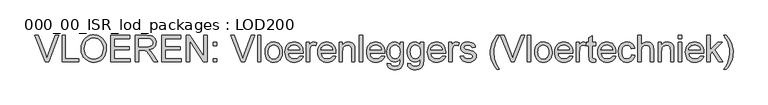
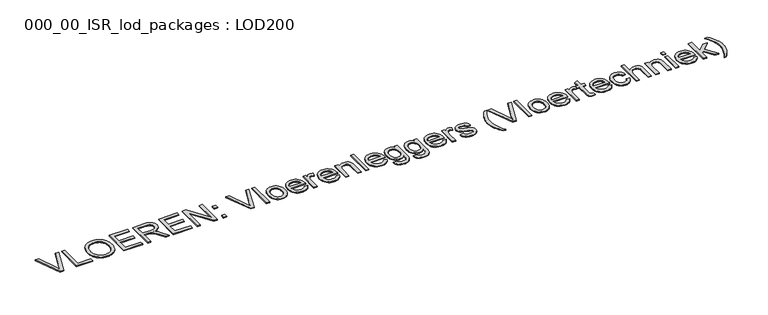
"""IFC4 building model written with IfcOpenShell, lengths in millimetres: proxy geometry, 000_00_ISR_lod_packages : LOD200."""

from ifc_helpers import new_model, si_unit, origin, origin_with_axes, place, context, project, spatial, polyline, outline, extrude, source, transform, mapped, element, save


def proxy_000_00_isr_lod_packages_lod200_84de502a(model_context):
    return source(origin(), model_context, "Body", "SweptSolid", [
        extrude(outline(polyline([(817.155303, 500.0), (505.3560606, 1283.5151515), (610.1818182, 1283.5151515), (818.8768939, 719.0246212), (861.1515152, 591.8181818), (902.8522727, 719.0246212), (1112.1212121, 1283.5151515), (1216.9469697, 1283.5151515), (918.3465909, 500.0), (817.155303, 500.0)])), origin_with_axes(), (0.0, 0.0, 1.0), 25.0),
        extrude(outline(polyline([(1308.0, 500.0), (1308.0, 1283.5151515), (1405.9393939, 1283.5151515), (1405.9393939, 597.9393939), (1797.6969697, 597.9393939), (1797.6969697, 500.0), (1308.0, 500.0)])), origin_with_axes(), (0.0, 0.0, 1.0), 25.0),
        extrude(outline(polyline([(1871.1515152, 881.4280303), (1872.7834399, 928.6970585), (1877.679214, 973.3299006), (1885.8388376, 1015.3265566), (1897.2623106, 1054.6870265), (1911.949633, 1091.4113104), (1929.9008049, 1125.4994081), (1951.1158262, 1156.9513198), (1975.594697, 1185.7670455), (2002.6529652, 1211.546076), (2031.606179, 1233.8879025), (2062.4543383, 1252.7925249), (2095.1974432, 1268.2599432), (2129.8354936, 1280.2901574), (2166.3684896, 1288.8831676), (2204.7964311, 1294.0389737), (2245.1193182, 1295.7575758), (2297.8310843, 1292.5295928), (2347.8887311, 1282.8456439), (2395.2922585, 1266.7057292), (2440.0416667, 1244.1098485), (2480.8816288, 1215.739465), (2516.5568182, 1182.2760417), (2547.0672348, 1143.7195786), (2572.4128788, 1100.0700758), (2592.3307292, 1052.319839), (2606.5577652, 1001.4611742), (2615.0939867, 947.4940814), (2617.9393939, 890.4185606), (2614.9445431, 832.5898437), (2605.9599905, 777.8934659), (2590.9857363, 726.3294271), (2570.0217803, 677.8977273), (2543.5642756, 633.8776042), (2512.109375, 595.5482955), (2475.6570786, 562.9098011), (2434.2073864, 535.9621212), (2389.392223, 514.8726326), (2342.8435133, 499.8087121), (2294.5612571, 490.7703598), (2244.5454545, 487.7575758), (2190.9131155, 491.0871804), (2140.1979167, 501.0759943), (2092.399858, 517.7240175), (2047.5189394, 541.03125), (2006.7267992, 570.0950521), (1971.1950758, 604.0127841), (1940.9237689, 642.784446), (1915.9128788, 686.4100379), (1896.3297822, 733.13808), (1882.3418561, 781.2170928), (1873.9491004, 830.6470762), (1871.1515152, 881.4280303)]), holes=[polyline([(1969.0909091, 880.4715909), (1973.9866832, 815.5413116), (1988.6740057, 757.9038826), (2013.1528764, 707.559304), (2047.4232955, 664.5075758), (2089.0822088, 630.0279356), (2135.7265625, 605.3996212), (2187.3563565, 590.6226326), (2243.9715909, 585.6969697), (2301.5552202, 590.6704545), (2353.7947443, 605.5909091), (2400.6901634, 630.4583333), (2442.2414773, 665.2727273), (2460.466131, 686.2097834), (2476.260831, 709.2330729), (2500.5603693, 761.5383523), (2515.1400923, 822.1885653), (2520.0, 891.1837121), (2517.9197443, 936.0048532), (2511.6789773, 977.8849432), (2501.2776989, 1016.823982), (2486.7159091, 1052.8219697), (2468.1550071, 1085.4066643), (2445.756392, 1114.1058239), (2419.5200639, 1138.9194484), (2389.4460227, 1159.8475379), (2356.4667969, 1176.4596946), (2321.5149148, 1188.3255208), (2284.5903764, 1195.4450166), (2245.6931818, 1197.8181818), (2191.0446259, 1193.245206), (2140.3413826, 1179.5262784), (2093.5834517, 1156.6613991), (2050.7708333, 1124.6505682), (2031.6271011, 1104.8298562), (2015.0358665, 1081.951527), (2000.9971295, 1056.0155806), (1989.5108902, 1027.022017), (1974.1959044, 959.8620384), (1969.0909091, 880.4715909)])]), origin_with_axes(), (0.0, 0.0, 1.0), 25.0),
        extrude(outline(polyline([(2752.6060606, 500.0), (2752.6060606, 1283.5151515), (3315.7575758, 1283.5151515), (3315.7575758, 1185.5757576), (2850.5454545, 1185.5757576), (2850.5454545, 952.969697), (3291.2727273, 952.969697), (3291.2727273, 855.030303), (2850.5454545, 855.030303), (2850.5454545, 597.9393939), (3328.0, 597.9393939), (3328.0, 500.0), (2752.6060606, 500.0)])), origin_with_axes(), (0.0, 0.0, 1.0), 25.0),
        extrude(outline(polyline([(3474.9090909, 500.0), (3474.9090909, 1283.5151515), (3812.532197, 1283.5151515), (3903.2743845, 1278.2308239), (3939.3739938, 1271.6254143), (3969.2926136, 1262.3778409), (3994.769768, 1249.7767519), (4017.5449811, 1233.1107955), (4037.6182528, 1212.3799716), (4054.9895833, 1187.5842803), (4069.0073982, 1160.056759), (4079.0201231, 1131.1304451), (4085.027758, 1100.8053385), (4087.030303, 1069.0814394), (4083.7126539, 1028.8392519), (4073.7597064, 991.8967803), (4057.1714607, 958.2540246), (4033.9479167, 927.9109848), (4003.790187, 901.8360559), (3966.3993845, 880.9976326), (3921.775509, 865.395715), (3869.9185606, 855.030303), (3902.1983902, 833.9408144), (3925.5833333, 813.1382576), (3965.7059659, 765.5553977), (4004.967803, 712.3295455), (4135.6174242, 500.0), (4021.8011364, 500.0), (3919.844697, 662.4034091), (3846.1988636, 769.907197), (3818.820786, 801.2544981), (3794.4554924, 820.6941288), (3771.381392, 832.0996686), (3747.8768939, 839.344697), (3691.0643939, 842.7878788), (3572.8484848, 842.7878788), (3572.8484848, 500.0), (3474.9090909, 500.0)]), holes=[polyline([(3572.8484848, 940.7272727), (3792.0643939, 940.7272727), (3855.022017, 944.1943655), (3903.8721591, 954.5956439), (3940.6472538, 972.6245265), (3955.268821, 984.7593513), (3967.3797348, 998.9744318), (3983.6631155, 1030.8477746), (3989.0909091, 1065.4469697), (3986.502545, 1090.4937263), (3978.7374527, 1113.2211174), (3965.7956321, 1133.629143), (3947.6770833, 1151.717803), (3923.9633641, 1166.5306581), (3894.2360322, 1177.1112689), (3858.4950876, 1183.4596354), (3816.7405303, 1185.5757576), (3572.8484848, 1185.5757576), (3572.8484848, 940.7272727)])]), origin_with_axes(), (0.0, 0.0, 1.0), 25.0),
        extrude(outline(polyline([(4258.4242424, 500.0), (4258.4242424, 1283.5151515), (4821.5757576, 1283.5151515), (4821.5757576, 1185.5757576), (4356.3636364, 1185.5757576), (4356.3636364, 952.969697), (4797.0909091, 952.969697), (4797.0909091, 855.030303), (4356.3636364, 855.030303), (4356.3636364, 597.9393939), (4833.8181818, 597.9393939), (4833.8181818, 500.0), (4258.4242424, 500.0)])), origin_with_axes(), (0.0, 0.0, 1.0), 25.0),
        extrude(outline(polyline([(4980.7272727, 500.0), (4980.7272727, 1283.5151515), (5085.5530303, 1283.5151515), (5494.9090909, 662.7859848), (5494.9090909, 1283.5151515), (5592.8484848, 1283.5151515), (5592.8484848, 500.0), (5488.0227273, 500.0), (5078.6666667, 1120.9204545), (5078.6666667, 500.0), (4980.7272727, 500.0)])), origin_with_axes(), (0.0, 0.0, 1.0), 25.0),
        extrude(outline(polyline([(5776.4848485, 500.0), (5776.4848485, 597.9393939), (5874.4242424, 597.9393939), (5874.4242424, 500.0), (5776.4848485, 500.0)])), origin_with_axes(), (0.0, 0.0, 1.0), 25.0),
        extrude(outline(polyline([(5776.4848485, 977.4545455), (5776.4848485, 1075.3939394), (5874.4242424, 1075.3939394), (5874.4242424, 977.4545455), (5776.4848485, 977.4545455)])), origin_with_axes(), (0.0, 0.0, 1.0), 25.0),
        extrude(outline(polyline([(6607.8219697, 500.0), (6296.0227273, 1283.5151515), (6400.8484848, 1283.5151515), (6609.5435606, 719.0246212), (6651.8181818, 591.8181818), (6693.5189394, 719.0246212), (6902.7878788, 1283.5151515), (7007.6136364, 1283.5151515), (6709.0132576, 500.0), (6607.8219697, 500.0)])), origin_with_axes(), (0.0, 0.0, 1.0), 25.0),
        extrude(outline(polyline([(7086.4242424, 500.0), (7086.4242424, 1283.5151515), (7184.3636364, 1283.5151515), (7184.3636364, 500.0), (7086.4242424, 500.0)])), origin_with_axes(), (0.0, 0.0, 1.0), 25.0),
        extrude(outline(polyline([(7306.7878788, 787.6969697), (7312.0841619, 862.215554), (7318.7045159, 895.6102332), (7327.9730114, 926.4285038), (7339.8896484, 954.6703658), (7354.4544271, 980.3358191), (7371.6673473, 1003.4248639), (7391.5284091, 1023.9375), (7428.8534564, 1051.8057528), (7470.0520833, 1071.7116477), (7515.1242898, 1083.6551847), (7564.0700758, 1087.6363636), (7618.1029238, 1082.7884115), (7666.9590436, 1068.2445549), (7710.6384351, 1044.004794), (7749.1410985, 1010.0691288), (7780.5661103, 967.5852865), (7803.0125473, 917.7009943), (7816.4804096, 860.4162524), (7820.969697, 795.7310606), (7818.9850852, 743.3062263), (7813.03125, 696.7874053), (7803.1081913, 656.1745975), (7789.2159091, 621.467803), (7771.527758, 591.4894058), (7750.2170928, 565.0617898), (7725.2839134, 542.184955), (7696.7282197, 522.8589015), (7665.6618726, 507.5020715), (7633.196733, 496.5329072), (7599.3328007, 489.9514086), (7564.0700758, 487.7575758), (7509.2481652, 492.5875947), (7459.9377367, 507.0776515), (7416.1387902, 531.2277462), (7377.8513258, 565.0378788), (7346.7610677, 607.9341856), (7324.5537405, 659.342803), (7311.2293442, 719.2637311), (7306.7878788, 787.6969697)]), holes=[polyline([(7404.7272727, 787.8882576), (7407.5607244, 740.3831084), (7416.0610795, 699.2502367), (7430.2283381, 664.4896425), (7450.0625, 636.1013258), (7474.1886837, 614.04942), (7501.2320076, 598.2980587), (7531.1924716, 588.847242), (7564.0700758, 585.6969697), (7596.780303, 588.8651752), (7626.6212121, 598.3697917), (7653.592803, 614.2108191), (7677.6950758, 636.3882576), (7697.5292377, 665.0575284), (7711.6964962, 700.374053), (7720.1968513, 742.3378314), (7723.030303, 790.9488636), (7720.1789181, 836.9476207), (7711.6247633, 877.0044981), (7697.3678385, 911.1194957), (7677.4081439, 939.2926136), (7653.216205, 961.3445194), (7626.2625473, 977.0958807), (7596.5471709, 986.5466974), (7564.0700758, 989.6969697), (7531.1924716, 986.5586529), (7501.2320076, 977.1437027), (7474.1886837, 961.4521188), (7450.0625, 939.4839015), (7430.2283381, 911.1792732), (7416.0610795, 876.4784564), (7407.5607244, 835.3814512), (7404.7272727, 787.8882576)])]), origin_with_axes(), (0.0, 0.0, 1.0), 25.0),
        extrude(outline(polyline([(8334.0037879, 671.3939394), (8430.030303, 659.1515152), (8415.3071141, 620.690696), (8395.431108, 586.796875), (8370.4022846, 557.4700521), (8340.2206439, 532.7102273), (8305.1970289, 513.0434422), (8265.6422822, 498.9957386), (8221.5564039, 490.5671165), (8172.9393939, 487.7575758), (8112.1696259, 492.6055279), (8058.0232008, 507.1493845), (8010.5001184, 531.3891454), (7969.6003788, 565.3248106), (7936.7108191, 608.0118963), (7913.2182765, 658.5059186), (7899.1227509, 716.8068774), (7894.4242424, 782.9147727), (7899.1705729, 851.2643229), (7913.4095644, 911.5080492), (7937.1412169, 963.6459517), (7970.3655303, 1007.6780303), (8011.1576705, 1042.6598011), (8057.592803, 1067.6467803), (8109.670928, 1082.6389678), (8167.3920455, 1087.6363636), (8223.2540838, 1082.6509233), (8273.772017, 1067.6946023), (8318.9458452, 1042.7674006), (8358.7755682, 1007.8693182), (8391.2885298, 963.9328835), (8414.5120739, 911.890625), (8428.4462003, 851.7425426), (8433.0909091, 783.4886364), (8432.5170455, 757.0909091), (7992.3636364, 757.0909091), (7998.0365175, 718.0084044), (8009.3165246, 683.7798295), (8026.2036577, 654.4051847), (8048.6979167, 629.8844697), (8075.5559304, 610.5524384), (8105.5343277, 596.7438447), (8138.6331084, 588.4586884), (8174.8522727, 585.6969697), (8226.9782197, 590.8139205), (8270.8787879, 606.1647727), (8289.7445549, 617.9170218), (8306.5539773, 632.7059659), (8321.3070549, 650.5316051), (8334.0037879, 671.3939394)]), holes=[polyline([(7992.3636364, 855.030303), (8335.1515152, 855.030303), (8330.1182528, 882.7431345), (8321.9048295, 906.7736742), (8310.5112453, 927.1219223), (8295.9375, 943.7878788), (8269.2289299, 963.8731061), (8238.8380682, 978.219697), (8204.7649148, 986.8276515), (8167.0094697, 989.6969697), (8132.5716738, 987.4074929), (8100.9912405, 980.5390625), (8072.26817, 969.0916785), (8046.4024621, 953.0653409), (8024.6972656, 933.2012902), (8008.4557292, 910.240767), (7997.6778527, 884.1837713), (7992.3636364, 855.030303)])]), origin_with_axes(), (0.0, 0.0, 1.0), 25.0),
        extrude(outline(polyline([(8531.030303, 500.0), (8531.030303, 1075.3939394), (8616.7272727, 1075.3939394), (8616.7272727, 990.2708333), (8648.3854167, 1039.6231061), (8677.5568182, 1068.6988636), (8706.8238636, 1082.9019886), (8738.7689394, 1087.6363636), (8763.0625, 1085.7473958), (8787.5473485, 1080.0804924), (8812.2234848, 1070.6356534), (8837.0909091, 1057.4128788), (8804.3806818, 969.6117424), (8769.9488636, 984.6756629), (8735.5170455, 989.6969697), (8706.273911, 984.8669508), (8680.1392045, 970.3768939), (8659.0258049, 947.3267045), (8644.8465909, 916.8162879), (8632.9389205, 862.1079545), (8628.969697, 802.4261364), (8628.969697, 500.0), (8531.030303, 500.0)])), origin_with_axes(), (0.0, 0.0, 1.0), 25.0),
        extrude(outline(polyline([(9301.155303, 671.3939394), (9397.1818182, 659.1515152), (9382.4586293, 620.690696), (9362.5826231, 586.796875), (9337.5537997, 557.4700521), (9307.3721591, 532.7102273), (9272.348544, 513.0434422), (9232.7937973, 498.9957386), (9188.707919, 490.5671165), (9140.0909091, 487.7575758), (9079.3211411, 492.6055279), (9025.1747159, 507.1493845), (8977.6516335, 531.3891454), (8936.7518939, 565.3248106), (8903.8623343, 608.0118963), (8880.3697917, 658.5059186), (8866.2742661, 716.8068774), (8861.5757576, 782.9147727), (8866.3220881, 851.2643229), (8880.5610795, 911.5080492), (8904.292732, 963.6459517), (8937.5170455, 1007.6780303), (8978.3091856, 1042.6598011), (9024.7443182, 1067.6467803), (9076.8224432, 1082.6389678), (9134.5435606, 1087.6363636), (9190.405599, 1082.6509233), (9240.9235322, 1067.6946023), (9286.0973603, 1042.7674006), (9325.9270833, 1007.8693182), (9358.440045, 963.9328835), (9381.663589, 911.890625), (9395.5977154, 851.7425426), (9400.2424242, 783.4886364), (9399.6685606, 757.0909091), (8959.5151515, 757.0909091), (8965.1880327, 718.0084044), (8976.4680398, 683.7798295), (8993.3551728, 654.4051847), (9015.8494318, 629.8844697), (9042.7074455, 610.5524384), (9072.6858428, 596.7438447), (9105.7846236, 588.4586884), (9142.0037879, 585.6969697), (9194.1297348, 590.8139205), (9238.030303, 606.1647727), (9256.8960701, 617.9170218), (9273.7054924, 632.7059659), (9288.4585701, 650.5316051), (9301.155303, 671.3939394)]), holes=[polyline([(8959.5151515, 855.030303), (9302.3030303, 855.030303), (9297.269768, 882.7431345), (9289.0563447, 906.7736742), (9277.6627604, 927.1219223), (9263.0890152, 943.7878788), (9236.3804451, 963.8731061), (9205.9895833, 978.219697), (9171.9164299, 986.8276515), (9134.1609848, 989.6969697), (9099.7231889, 987.4074929), (9068.1427557, 980.5390625), (9039.4196851, 969.0916785), (9013.5539773, 953.0653409), (8991.8487808, 933.2012902), (8975.6072443, 910.240767), (8964.8293679, 884.1837713), (8959.5151515, 855.030303)])]), origin_with_axes(), (0.0, 0.0, 1.0), 25.0),
        extrude(outline(polyline([(9498.1818182, 500.0), (9498.1818182, 1075.3939394), (9596.1212121, 1075.3939394), (9596.1212121, 995.0530303), (9630.1465436, 1035.5582386), (9649.7236624, 1051.4709991), (9671.0104167, 1064.4905303), (9694.0068063, 1074.6168324), (9718.7128314, 1081.8499053), (9773.2537879, 1087.6363636), (9821.5300663, 1082.9737216), (9865.7414773, 1068.9857955), (9902.6122159, 1047.4180871), (9928.8664773, 1020.0160985), (9946.680161, 986.8515625), (9958.2291667, 947.9962121), (9962.1027462, 910.8385417), (9963.3939394, 853.3087121), (9963.3939394, 500.0), (9865.4545455, 500.0), (9865.4545455, 840.1098485), (9862.6330492, 890.7533144), (9854.1685606, 926.7632576), (9838.5546875, 952.5632102), (9814.2850379, 972.5767045), (9783.1768466, 985.4169034), (9747.0473485, 989.6969697), (9717.3080611, 987.2939157), (9689.6848958, 980.0847538), (9664.1778527, 968.0694839), (9640.7869318, 951.2481061), (9621.2456795, 927.7077415), (9607.287642, 895.5355114), (9598.9128196, 854.7314157), (9596.1212121, 805.2954545), (9596.1212121, 500.0), (9498.1818182, 500.0)])), origin_with_axes(), (0.0, 0.0, 1.0), 25.0),
        extrude(outline(polyline([(10098.0606061, 500.0), (10098.0606061, 1283.5151515), (10196.0, 1283.5151515), (10196.0, 500.0), (10098.0606061, 500.0)])), origin_with_axes(), (0.0, 0.0, 1.0), 25.0),
        extrude(outline(polyline([(10745.7613636, 671.3939394), (10841.7878788, 659.1515152), (10827.0646899, 620.690696), (10807.1886837, 586.796875), (10782.1598603, 557.4700521), (10751.9782197, 532.7102273), (10716.9546046, 513.0434422), (10677.399858, 498.9957386), (10633.3139796, 490.5671165), (10584.6969697, 487.7575758), (10523.9272017, 492.6055279), (10469.7807765, 507.1493845), (10422.2576941, 531.3891454), (10381.3579545, 565.3248106), (10348.4683949, 608.0118963), (10324.9758523, 658.5059186), (10310.8803267, 716.8068774), (10306.1818182, 782.9147727), (10310.9281487, 851.2643229), (10325.1671402, 911.5080492), (10348.8987926, 963.6459517), (10382.1231061, 1007.6780303), (10422.9152462, 1042.6598011), (10469.3503788, 1067.6467803), (10521.4285038, 1082.6389678), (10579.1496212, 1087.6363636), (10635.0116596, 1082.6509233), (10685.5295928, 1067.6946023), (10730.7034209, 1042.7674006), (10770.5331439, 1007.8693182), (10803.0461056, 963.9328835), (10826.2696496, 911.890625), (10840.203776, 851.7425426), (10844.8484848, 783.4886364), (10844.2746212, 757.0909091), (10404.1212121, 757.0909091), (10409.7940933, 718.0084044), (10421.0741004, 683.7798295), (10437.9612334, 654.4051847), (10460.4554924, 629.8844697), (10487.3135062, 610.5524384), (10517.2919034, 596.7438447), (10550.3906842, 588.4586884), (10586.6098485, 585.6969697), (10638.7357955, 590.8139205), (10682.6363636, 606.1647727), (10701.5021307, 617.9170218), (10718.311553, 632.7059659), (10733.0646307, 650.5316051), (10745.7613636, 671.3939394)]), holes=[polyline([(10404.1212121, 855.030303), (10746.9090909, 855.030303), (10741.8758286, 882.7431345), (10733.6624053, 906.7736742), (10722.268821, 927.1219223), (10707.6950758, 943.7878788), (10680.9865057, 963.8731061), (10650.5956439, 978.219697), (10616.5224905, 986.8276515), (10578.7670455, 989.6969697), (10544.3292495, 987.4074929), (10512.7488163, 980.5390625), (10484.0257457, 969.0916785), (10458.1600379, 953.0653409), (10436.4548414, 933.2012902), (10420.2133049, 910.240767), (10409.4354285, 884.1837713), (10404.1212121, 855.030303)])]), origin_with_axes(), (0.0, 0.0, 1.0), 25.0),
        extrude(outline(polyline([(10918.3030303, 451.030303), (11016.2424242, 438.7878788), (11020.3790246, 422.2892992), (11027.0501894, 408.1818182), (11036.2559186, 396.4654356), (11047.9962121, 387.1401515), (11066.9934896, 377.5996686), (11089.170928, 370.7850379), (11143.0662879, 365.3333333), (11173.6484375, 366.8755919), (11200.5482955, 371.5023674), (11223.7658617, 379.21366), (11243.3011364, 390.0094697), (11259.5606061, 403.5909091), (11272.9507576, 419.6590909), (11283.4715909, 438.2140152), (11291.1231061, 459.2556818), (11296.4313447, 501.3868371), (11297.8181818, 573.4545455), (11265.2275095, 541.3181818), (11228.8589015, 518.3636364), (11188.712358, 504.5909091), (11144.7878788, 500.0), (11091.0897846, 505.3441051), (11043.8117898, 521.3764205), (11002.9538944, 548.096946), (10968.5160985, 585.5056818), (10941.1918205, 630.3866004), (10921.6744792, 679.5236742), (10909.9640743, 732.9169034), (10906.0606061, 790.5662879), (10907.8120857, 830.8981416), (10913.0665246, 869.6399148), (10921.8239228, 906.7916075), (10934.0842803, 942.3532197), (10949.6622869, 975.1411577), (10968.3726326, 1003.9718277), (10990.2153172, 1028.8452296), (11015.1903409, 1049.7613636), (11042.8971946, 1066.3316761), (11072.9353693, 1078.1676136), (11105.3048651, 1085.2691761), (11140.0056818, 1087.6363636), (11185.8071733, 1082.280303), (11227.3764205, 1066.2121212), (11264.7134233, 1039.4318182), (11297.8181818, 1001.9393939), (11297.8181818, 1075.3939394), (11395.7575758, 1075.3939394), (11395.7575758, 578.6193182), (11394.0838068, 516.3730469), (11389.0625, 463.9183239), (11380.6936553, 421.2551491), (11368.9772727, 388.3835227), (11353.6323982, 361.8722183), (11334.3780777, 338.2900095), (11311.2143111, 317.6368963), (11284.1410985, 299.9128788), (11253.4334162, 285.6858428), (11219.3662405, 275.5236742), (11181.9395715, 269.4263731), (11141.1534091, 267.3939394), (11093.1700402, 270.2572798), (11050.0286458, 278.8473011), (11011.7292259, 293.1640033), (10978.2717803, 313.2073864), (10951.2463897, 339.0013613), (10932.2431345, 370.569839), (10921.2620147, 407.9128196), (10918.3030303, 451.030303)]), holes=[polyline([(11004.0, 797.2613636), (11006.6122751, 748.8356416), (11014.4491004, 707.4277936), (11027.5104759, 673.0378196), (11045.7964015, 645.6657197), (11068.0276397, 624.7854522), (11092.9249527, 609.8709754), (11120.4883404, 600.9222893), (11150.717803, 597.9393939), (11180.6483783, 600.9043561), (11208.0802557, 609.7992424), (11233.0134351, 624.624053), (11255.4479167, 645.3787879), (11273.9849077, 672.4818892), (11287.2256155, 706.3517992), (11295.1700402, 746.988518), (11297.8181818, 794.3920455), (11295.0923295, 839.8169389), (11286.9147727, 879.2999527), (11273.2855114, 912.8410866), (11254.2045455, 940.4403409), (11231.2858665, 961.990116), (11206.1434659, 977.3828125), (11178.7773438, 986.6184304), (11149.1875, 989.6969697), (11120.0938092, 986.6662524), (11093.2597064, 977.5741004), (11068.6851918, 962.4205137), (11046.3702652, 941.2054924), (11027.8332741, 914.0246804), (11014.5925663, 880.9737216), (11006.6481416, 842.052616), (11004.0, 797.2613636)])]), origin_with_axes(), (0.0, 0.0, 1.0), 25.0),
        extrude(outline(polyline([(11518.1818182, 451.030303), (11616.1212121, 438.7878788), (11620.2578125, 422.2892992), (11626.9289773, 408.1818182), (11636.1347064, 396.4654356), (11647.875, 387.1401515), (11666.8722775, 377.5996686), (11689.0497159, 370.7850379), (11742.9450758, 365.3333333), (11773.5272254, 366.8755919), (11800.4270833, 371.5023674), (11823.6446496, 379.21366), (11843.1799242, 390.0094697), (11859.4393939, 403.5909091), (11872.8295455, 419.6590909), (11883.3503788, 438.2140152), (11891.0018939, 459.2556818), (11896.3101326, 501.3868371), (11897.6969697, 573.4545455), (11865.1062973, 541.3181818), (11828.7376894, 518.3636364), (11788.5911458, 504.5909091), (11744.6666667, 500.0), (11690.9685724, 505.3441051), (11643.6905777, 521.3764205), (11602.8326823, 548.096946), (11568.3948864, 585.5056818), (11541.0706084, 630.3866004), (11521.553267, 679.5236742), (11509.8428622, 732.9169034), (11505.9393939, 790.5662879), (11507.6908736, 830.8981416), (11512.9453125, 869.6399148), (11521.7027107, 906.7916075), (11533.9630682, 942.3532197), (11549.5410748, 975.1411577), (11568.2514205, 1003.9718277), (11590.0941051, 1028.8452296), (11615.0691288, 1049.7613636), (11642.7759825, 1066.3316761), (11672.8141572, 1078.1676136), (11705.1836529, 1085.2691761), (11739.8844697, 1087.6363636), (11785.6859612, 1082.280303), (11827.2552083, 1066.2121212), (11864.5922112, 1039.4318182), (11897.6969697, 1001.9393939), (11897.6969697, 1075.3939394), (11995.6363636, 1075.3939394), (11995.6363636, 578.6193182), (11993.9625947, 516.3730469), (11988.9412879, 463.9183239), (11980.5724432, 421.2551491), (11968.8560606, 388.3835227), (11953.5111861, 361.8722183), (11934.2568655, 338.2900095), (11911.093099, 317.6368963), (11884.0198864, 299.9128788), (11853.3122041, 285.6858428), (11819.2450284, 275.5236742), (11781.8183594, 269.4263731), (11741.032197, 267.3939394), (11693.0488281, 270.2572798), (11649.9074337, 278.8473011), (11611.6080137, 293.1640033), (11578.1505682, 313.2073864), (11551.1251776, 339.0013613), (11532.1219223, 370.569839), (11521.1408026, 407.9128196), (11518.1818182, 451.030303)]), holes=[polyline([(11603.8787879, 797.2613636), (11606.491063, 748.8356416), (11614.3278883, 707.4277936), (11627.3892637, 673.0378196), (11645.6751894, 645.6657197), (11667.9064276, 624.7854522), (11692.8037405, 609.8709754), (11720.3671283, 600.9222893), (11750.5965909, 597.9393939), (11780.5271662, 600.9043561), (11807.9590436, 609.7992424), (11832.892223, 624.624053), (11855.3267045, 645.3787879), (11873.8636955, 672.4818892), (11887.1044034, 706.3517992), (11895.0488281, 746.988518), (11897.6969697, 794.3920455), (11894.9711174, 839.8169389), (11886.7935606, 879.2999527), (11873.1642992, 912.8410866), (11854.0833333, 940.4403409), (11831.1646544, 961.990116), (11806.0222538, 977.3828125), (11778.6561316, 986.6184304), (11749.0662879, 989.6969697), (11719.9725971, 986.6662524), (11693.1384943, 977.5741004), (11668.5639796, 962.4205137), (11646.249053, 941.2054924), (11627.712062, 914.0246804), (11614.4713542, 880.9737216), (11606.5269295, 842.052616), (11603.8787879, 797.2613636)])]), origin_with_axes(), (0.0, 0.0, 1.0), 25.0),
        extrude(outline(polyline([(12545.3977273, 671.3939394), (12641.4242424, 659.1515152), (12626.7010535, 620.690696), (12606.8250473, 586.796875), (12581.796224, 557.4700521), (12551.6145833, 532.7102273), (12516.5909683, 513.0434422), (12477.0362216, 498.9957386), (12432.9503433, 490.5671165), (12384.3333333, 487.7575758), (12323.5635653, 492.6055279), (12269.4171402, 507.1493845), (12221.8940578, 531.3891454), (12180.9943182, 565.3248106), (12148.1047585, 608.0118963), (12124.6122159, 658.5059186), (12110.5166903, 716.8068774), (12105.8181818, 782.9147727), (12110.5645123, 851.2643229), (12124.8035038, 911.5080492), (12148.5351563, 963.6459517), (12181.7594697, 1007.6780303), (12222.5516098, 1042.6598011), (12268.9867424, 1067.6467803), (12321.0648674, 1082.6389678), (12378.7859848, 1087.6363636), (12434.6480232, 1082.6509233), (12485.1659564, 1067.6946023), (12530.3397846, 1042.7674006), (12570.1695076, 1007.8693182), (12602.6824692, 963.9328835), (12625.9060133, 911.890625), (12639.8401397, 851.7425426), (12644.4848485, 783.4886364), (12643.9109848, 757.0909091), (12203.7575758, 757.0909091), (12209.4304569, 718.0084044), (12220.710464, 683.7798295), (12237.5975971, 654.4051847), (12260.0918561, 629.8844697), (12286.9498698, 610.5524384), (12316.928267, 596.7438447), (12350.0270478, 588.4586884), (12386.2462121, 585.6969697), (12438.3721591, 590.8139205), (12482.2727273, 606.1647727), (12501.1384943, 617.9170218), (12517.9479167, 632.7059659), (12532.7009943, 650.5316051), (12545.3977273, 671.3939394)]), holes=[polyline([(12203.7575758, 855.030303), (12546.5454545, 855.030303), (12541.5121922, 882.7431345), (12533.2987689, 906.7736742), (12521.9051847, 927.1219223), (12507.3314394, 943.7878788), (12480.6228693, 963.8731061), (12450.2320076, 978.219697), (12416.1588542, 986.8276515), (12378.4034091, 989.6969697), (12343.9656132, 987.4074929), (12312.3851799, 980.5390625), (12283.6621094, 969.0916785), (12257.7964015, 953.0653409), (12236.091205, 933.2012902), (12219.8496686, 910.240767), (12209.0717921, 884.1837713), (12203.7575758, 855.030303)])]), origin_with_axes(), (0.0, 0.0, 1.0), 25.0),
        extrude(outline(polyline([(12742.4242424, 500.0), (12742.4242424, 1075.3939394), (12828.1212121, 1075.3939394), (12828.1212121, 990.2708333), (12859.7793561, 1039.6231061), (12888.9507576, 1068.6988636), (12918.217803, 1082.9019886), (12950.1628788, 1087.6363636), (12974.4564394, 1085.7473958), (12998.9412879, 1080.0804924), (13023.6174242, 1070.6356534), (13048.4848485, 1057.4128788), (13015.7746212, 969.6117424), (12981.342803, 984.6756629), (12946.9109848, 989.6969697), (12917.6678504, 984.8669508), (12891.5331439, 970.3768939), (12870.4197443, 947.3267045), (12856.2405303, 916.8162879), (12844.3328598, 862.1079545), (12840.3636364, 802.4261364), (12840.3636364, 500.0), (12742.4242424, 500.0)])), origin_with_axes(), (0.0, 0.0, 1.0), 25.0),
        extrude(outline(polyline([(13072.969697, 671.3939394), (13170.9090909, 683.6363636), (13176.8270597, 661.3035038), (13186.3555871, 641.7443182), (13199.4946733, 624.9588068), (13216.2443182, 610.9469697), (13236.6523438, 599.9000947), (13260.766572, 592.0094697), (13288.5870028, 587.2750947), (13320.1136364, 585.6969697), (13351.6044034, 587.1435843), (13378.7433712, 591.483428), (13401.5305398, 598.7165009), (13419.9659091, 608.842803), (13434.1929451, 620.9178504), (13444.3551136, 633.9971591), (13450.4524148, 648.0807292), (13452.4848485, 663.1685606), (13450.4404593, 676.3913352), (13444.3072917, 688.1316288), (13434.0853456, 698.3894413), (13419.7746212, 707.1647727), (13383.0951705, 719.5984848), (13318.9659091, 735.092803), (13229.5866477, 760.9405777), (13171.4829545, 783.0104167), (13134.1579072, 807.0887784), (13119.3510298, 822.0510772), (13107.1145833, 838.9621212), (13090.6877367, 876.5980114), (13085.2121212, 917.9640152), (13089.6117424, 955.9107481), (13102.8106061, 990.9403409), (13123.6131629, 1021.6659564), (13150.8238636, 1046.7007576), (13177.8671875, 1062.4580966), (13213.0880682, 1075.6808712), (13253.8084754, 1084.6474905), (13297.3503788, 1087.6363636), (13361.0970644, 1082.8302557), (13416.5227273, 1068.4119318), (13461.092803, 1045.7921402), (13478.3565341, 1031.9357244), (13492.2727273, 1016.3816288), (13512.9318182, 978.0044981), (13525.9393939, 928.4848485), (13428.0, 916.2424242), (13423.3313802, 932.6035156), (13415.6380208, 947.0636837), (13404.9199219, 959.6229285), (13391.1770833, 970.28125), (13374.3497277, 978.7756274), (13354.3780777, 984.8430398), (13305.0018939, 989.6969697), (13248.7632576, 985.0582386), (13227.6737689, 979.2598248), (13211.2708333, 971.1420455), (13190.1813447, 951.0568182), (13184.9089725, 939.8664773), (13183.1515152, 927.9109848), (13186.0686553, 912.8470644), (13194.8200758, 899.4090909), (13209.7883523, 887.4057765), (13231.3560606, 877.7935606), (13315.7140152, 856.9431818), (13402.2478693, 831.358428), (13459.4668561, 810.842803), (13497.4375, 788.796875), (13526.2263258, 758.6212121), (13536.8129143, 740.4608191), (13544.3747633, 720.2201705), (13548.9118726, 697.8992661), (13550.4242424, 673.4981061), (13548.6488518, 648.9893466), (13543.3226799, 625.1979167), (13534.4457268, 602.1238163), (13522.0179924, 579.7670455), (13506.2427202, 559.0182884), (13487.3231534, 540.7682292), (13465.2592921, 525.0168679), (13440.0511364, 511.7642045), (13412.3861269, 501.2613045), (13382.9517045, 493.759233), (13318.7746212, 487.7575758), (13266.0628551, 490.6508049), (13220.0222538, 499.3304924), (13180.6528172, 513.7966383), (13147.9545455, 534.0492424), (13121.2459754, 559.992661), (13099.8456439, 591.53125), (13083.7535511, 628.6650095), (13072.969697, 671.3939394)])), origin_with_axes(), (0.0, 0.0, 1.0), 25.0),
        extrude(outline(polyline([(14162.5454545, 279.6363636), (14123.0086411, 330.7939157), (14086.6519886, 386.1358902), (14053.4754972, 445.6622869), (14023.4791667, 509.3731061), (13998.6236979, 575.773911), (13980.8697917, 643.3702652), (13970.2174479, 712.1621686), (13966.6666667, 782.1496212), (13969.320786, 843.6606297), (13977.2831439, 903.8565341), (13990.5537405, 962.7373343), (14009.1325758, 1020.3030303), (14037.3714489, 1086.3212595), (14072.3532197, 1152.1960227), (14114.0778883, 1217.9273201), (14162.5454545, 1283.5151515), (14236.0, 1283.5151515), (14178.3745265, 1190.4057765), (14144.3731061, 1128.3806818), (14113.0975379, 1054.7348485), (14089.282197, 978.0284091), (14070.7750947, 880.0411932), (14064.6060606, 781.5757576), (14067.2840909, 718.7914891), (14075.3181818, 656.0191761), (14088.7083333, 593.2588187), (14107.4545455, 530.5104167), (14131.5568182, 467.7739702), (14161.0151515, 405.0494792), (14195.8295455, 342.3369437), (14236.0, 279.6363636), (14162.5454545, 279.6363636)])), origin_with_axes(), (0.0, 0.0, 1.0), 25.0),
        extrude(outline(polyline([(14577.6401515, 500.0), (14265.8409091, 1283.5151515), (14370.6666667, 1283.5151515), (14579.3617424, 719.0246212), (14621.6363636, 591.8181818), (14663.3371212, 719.0246212), (14872.6060606, 1283.5151515), (14977.4318182, 1283.5151515), (14678.8314394, 500.0), (14577.6401515, 500.0)])), origin_with_axes(), (0.0, 0.0, 1.0), 25.0),
        extrude(outline(polyline([(15056.2424242, 500.0), (15056.2424242, 1283.5151515), (15154.1818182, 1283.5151515), (15154.1818182, 500.0), (15056.2424242, 500.0)])), origin_with_axes(), (0.0, 0.0, 1.0), 25.0),
        extrude(outline(polyline([(15276.6060606, 787.6969697), (15281.9023438, 862.215554), (15288.5226977, 895.6102332), (15297.7911932, 926.4285038), (15309.7078303, 954.6703658), (15324.2726089, 980.3358191), (15341.4855291, 1003.4248639), (15361.3465909, 1023.9375), (15398.6716383, 1051.8057528), (15439.8702652, 1071.7116477), (15484.9424716, 1083.6551847), (15533.8882576, 1087.6363636), (15587.9211056, 1082.7884115), (15636.7772254, 1068.2445549), (15680.456617, 1044.004794), (15718.9592803, 1010.0691288), (15750.3842921, 967.5852865), (15772.8307292, 917.7009943), (15786.2985914, 860.4162524), (15790.7878788, 795.7310606), (15788.803267, 743.3062263), (15782.8494318, 696.7874053), (15772.9263731, 656.1745975), (15759.0340909, 621.467803), (15741.3459399, 591.4894058), (15720.0352746, 565.0617898), (15695.1020952, 542.184955), (15666.5464015, 522.8589015), (15635.4800545, 507.5020715), (15603.0149148, 496.5329072), (15569.1509825, 489.9514086), (15533.8882576, 487.7575758), (15479.0663471, 492.5875947), (15429.7559186, 507.0776515), (15385.9569721, 531.2277462), (15347.6695076, 565.0378788), (15316.5792495, 607.9341856), (15294.3719223, 659.342803), (15281.047526, 719.2637311), (15276.6060606, 787.6969697)]), holes=[polyline([(15374.5454545, 787.8882576), (15377.3789063, 740.3831084), (15385.8792614, 699.2502367), (15400.0465199, 664.4896425), (15419.8806818, 636.1013258), (15444.0068655, 614.04942), (15471.0501894, 598.2980587), (15501.0106534, 588.847242), (15533.8882576, 585.6969697), (15566.5984848, 588.8651752), (15596.4393939, 598.3697917), (15623.4109848, 614.2108191), (15647.5132576, 636.3882576), (15667.3474195, 665.0575284), (15681.514678, 700.374053), (15690.0150331, 742.3378314), (15692.8484848, 790.9488636), (15689.9970999, 836.9476207), (15681.4429451, 877.0044981), (15667.1860204, 911.1194957), (15647.2263258, 939.2926136), (15623.0343868, 961.3445194), (15596.0807292, 977.0958807), (15566.3653527, 986.5466974), (15533.8882576, 989.6969697), (15501.0106534, 986.5586529), (15471.0501894, 977.1437027), (15444.0068655, 961.4521188), (15419.8806818, 939.4839015), (15400.0465199, 911.1792732), (15385.8792614, 876.4784564), (15377.3789063, 835.3814512), (15374.5454545, 787.8882576)])]), origin_with_axes(), (0.0, 0.0, 1.0), 25.0),
        extrude(outline(polyline([(16303.8219697, 671.3939394), (16399.8484848, 659.1515152), (16385.1252959, 620.690696), (16365.2492898, 586.796875), (16340.2204664, 557.4700521), (16310.0388258, 532.7102273), (16275.0152107, 513.0434422), (16235.460464, 498.9957386), (16191.3745857, 490.5671165), (16142.7575758, 487.7575758), (16081.9878078, 492.6055279), (16027.8413826, 507.1493845), (15980.3183002, 531.3891454), (15939.4185606, 565.3248106), (15906.5290009, 608.0118963), (15883.0364583, 658.5059186), (15868.9409328, 716.8068774), (15864.2424242, 782.9147727), (15868.9887547, 851.2643229), (15883.2277462, 911.5080492), (15906.9593987, 963.6459517), (15940.1837121, 1007.6780303), (15980.9758523, 1042.6598011), (16027.4109848, 1067.6467803), (16079.4891098, 1082.6389678), (16137.2102273, 1087.6363636), (16193.0722656, 1082.6509233), (16243.5901989, 1067.6946023), (16288.764027, 1042.7674006), (16328.59375, 1007.8693182), (16361.1067116, 963.9328835), (16384.3302557, 911.890625), (16398.2643821, 851.7425426), (16402.9090909, 783.4886364), (16402.3352273, 757.0909091), (15962.1818182, 757.0909091), (15967.8546993, 718.0084044), (15979.1347064, 683.7798295), (15996.0218395, 654.4051847), (16018.5160985, 629.8844697), (16045.3741122, 610.5524384), (16075.3525095, 596.7438447), (16108.4512902, 588.4586884), (16144.6704545, 585.6969697), (16196.7964015, 590.8139205), (16240.6969697, 606.1647727), (16259.5627367, 617.9170218), (16276.3721591, 632.7059659), (16291.1252367, 650.5316051), (16303.8219697, 671.3939394)]), holes=[polyline([(15962.1818182, 855.030303), (16304.969697, 855.030303), (16299.9364347, 882.7431345), (16291.7230114, 906.7736742), (16280.3294271, 927.1219223), (16265.7556818, 943.7878788), (16239.0471117, 963.8731061), (16208.65625, 978.219697), (16174.5830966, 986.8276515), (16136.8276515, 989.6969697), (16102.3898556, 987.4074929), (16070.8094223, 980.5390625), (16042.0863518, 969.0916785), (16016.2206439, 953.0653409), (15994.5154474, 933.2012902), (15978.273911, 910.240767), (15967.4960346, 884.1837713), (15962.1818182, 855.030303)])]), origin_with_axes(), (0.0, 0.0, 1.0), 25.0),
        extrude(outline(polyline([(16500.8484848, 500.0), (16500.8484848, 1075.3939394), (16586.5454545, 1075.3939394), (16586.5454545, 990.2708333), (16618.2035985, 1039.6231061), (16647.375, 1068.6988636), (16676.6420455, 1082.9019886), (16708.5871212, 1087.6363636), (16732.8806818, 1085.7473958), (16757.3655303, 1080.0804924), (16782.0416667, 1070.6356534), (16806.9090909, 1057.4128788), (16774.1988636, 969.6117424), (16739.7670455, 984.6756629), (16705.3352273, 989.6969697), (16676.0920928, 984.8669508), (16649.9573864, 970.3768939), (16628.8439867, 947.3267045), (16614.6647727, 916.8162879), (16602.7571023, 862.1079545), (16598.7878788, 802.4261364), (16598.7878788, 500.0), (16500.8484848, 500.0)])), origin_with_axes(), (0.0, 0.0, 1.0), 25.0),
        extrude(outline(polyline([(17076.2424242, 581.6799242), (17088.4848485, 497.1306818), (17049.7012311, 490.1008523), (17015.2215909, 487.7575758), (16968.2125947, 491.8224432), (16933.1590909, 504.0170455), (16908.3873106, 522.8110795), (16892.2234848, 546.6742424), (16883.3285985, 587.6576705), (16880.3636364, 657.8125), (16880.3636364, 977.4545455), (16806.9090909, 977.4545455), (16806.9090909, 1075.3939394), (16880.3636364, 1075.3939394), (16880.3636364, 1215.2253788), (16978.3030303, 1272.8030303), (16978.3030303, 1075.3939394), (17076.2424242, 1075.3939394), (17076.2424242, 977.4545455), (16978.3030303, 977.4545455), (16978.3030303, 660.6818182), (16979.5942235, 628.4498106), (16983.467803, 610.1818182), (16990.2346117, 600.0674716), (17000.2054924, 592.2964015), (17014.3368845, 587.3468277), (17033.5852273, 585.6969697), (17076.2424242, 581.6799242)])), origin_with_axes(), (0.0, 0.0, 1.0), 25.0),
        extrude(outline(polyline([(17577.0340909, 671.3939394), (17673.0606061, 659.1515152), (17658.3374171, 620.690696), (17638.461411, 586.796875), (17613.4325876, 557.4700521), (17583.250947, 532.7102273), (17548.2273319, 513.0434422), (17508.6725852, 498.9957386), (17464.5867069, 490.5671165), (17415.969697, 487.7575758), (17355.199929, 492.6055279), (17301.0535038, 507.1493845), (17253.5304214, 531.3891454), (17212.6306818, 565.3248106), (17179.7411222, 608.0118963), (17156.2485795, 658.5059186), (17142.153054, 716.8068774), (17137.4545455, 782.9147727), (17142.2008759, 851.2643229), (17156.4398674, 911.5080492), (17180.1715199, 963.6459517), (17213.3958333, 1007.6780303), (17254.1879735, 1042.6598011), (17300.6231061, 1067.6467803), (17352.7012311, 1082.6389678), (17410.4223485, 1087.6363636), (17466.2843868, 1082.6509233), (17516.8023201, 1067.6946023), (17561.9761482, 1042.7674006), (17601.8058712, 1007.8693182), (17634.3188329, 963.9328835), (17657.5423769, 911.890625), (17671.4765033, 851.7425426), (17676.1212121, 783.4886364), (17675.5473485, 757.0909091), (17235.3939394, 757.0909091), (17241.0668205, 718.0084044), (17252.3468277, 683.7798295), (17269.2339607, 654.4051847), (17291.7282197, 629.8844697), (17318.5862334, 610.5524384), (17348.5646307, 596.7438447), (17381.6634115, 588.4586884), (17417.8825758, 585.6969697), (17470.0085227, 590.8139205), (17513.9090909, 606.1647727), (17532.774858, 617.9170218), (17549.5842803, 632.7059659), (17564.337358, 650.5316051), (17577.0340909, 671.3939394)]), holes=[polyline([(17235.3939394, 855.030303), (17578.1818182, 855.030303), (17573.1485559, 882.7431345), (17564.9351326, 906.7736742), (17553.5415483, 927.1219223), (17538.967803, 943.7878788), (17512.259233, 963.8731061), (17481.8683712, 978.219697), (17447.7952178, 986.8276515), (17410.0397727, 989.6969697), (17375.6019768, 987.4074929), (17344.0215436, 980.5390625), (17315.298473, 969.0916785), (17289.4327652, 953.0653409), (17267.7275687, 933.2012902), (17251.4860322, 910.240767), (17240.7081558, 884.1837713), (17235.3939394, 855.030303)])]), origin_with_axes(), (0.0, 0.0, 1.0), 25.0),
        extrude(outline(polyline([(18141.3333333, 708.1212121), (18239.2727273, 695.8787879), (18228.6203835, 649.6648319), (18211.9663826, 608.7710701), (18189.3107244, 573.1975024), (18160.6534091, 542.9441288), (18127.2019413, 518.8000118), (18090.1638258, 501.554214), (18049.5390625, 491.2067353), (18005.3276515, 487.7575758), (17950.3981416, 492.5696615), (17901.1474905, 507.0059186), (17857.5756984, 531.0663471), (17819.6827652, 564.750947), (17789.0109493, 607.4260772), (17767.1025095, 658.4580966), (17753.9574455, 717.8470052), (17749.5757576, 785.592803), (17751.4467921, 830.6231652), (17757.0598958, 872.7483428), (17766.4150687, 911.9683357), (17779.5123106, 948.2831439), (17796.4412879, 980.9634825), (17817.2916667, 1009.2800663), (17842.063447, 1033.2328954), (17870.7566288, 1052.8219697), (17902.0740412, 1068.053267), (17934.7185133, 1078.9327652), (17968.690045, 1085.460464), (18003.9886364, 1087.6363636), (18047.4408736, 1084.6474905), (18086.7445549, 1075.6808712), (18121.8996804, 1060.7365057), (18152.90625, 1039.8143939), (18179.2382221, 1013.3927557), (18200.3695549, 981.9498106), (18216.3002486, 945.4855587), (18227.030303, 904.0), (18129.0909091, 891.7575758), (18121.4453717, 914.6344105), (18111.3250473, 934.4865057), (18098.7299361, 951.3138613), (18083.6600379, 965.1164773), (18066.4979285, 975.8704427), (18047.6261837, 983.5518466), (18027.0448035, 988.1606889), (18004.7537879, 989.6969697), (17971.4756747, 986.6722301), (17941.461411, 977.5980114), (17914.7109967, 962.4743134), (17891.2244318, 941.3011364), (17872.1016217, 913.5883049), (17858.4424716, 878.8456439), (17850.2469815, 837.0731534), (17847.5151515, 788.2708333), (17850.1872041, 738.7332505), (17858.2033617, 696.4765625), (17871.5636245, 661.5007694), (17890.2679924, 633.8058712), (17913.2882931, 612.7582268), (17939.5963542, 597.7241951), (17969.1921757, 588.703776), (18002.0757576, 585.6969697), (18028.5751065, 587.573982), (18052.7909564, 593.2050189), (18074.7233073, 602.5900805), (18094.3721591, 615.7291667), (18111.1875592, 632.7657434), (18124.6195549, 653.8432765), (18134.6681463, 678.9617661), (18141.3333333, 708.1212121)])), origin_with_axes(), (0.0, 0.0, 1.0), 25.0),
        extrude(outline(polyline([(18324.969697, 500.0), (18324.969697, 1283.5151515), (18422.9090909, 1283.5151515), (18422.9090909, 995.4356061), (18458.8831676, 1035.7734375), (18499.2807765, 1064.5861742), (18544.1019176, 1081.8738163), (18593.3465909, 1087.6363636), (18623.964607, 1086.0642164), (18652.5023674, 1081.3477746), (18678.9598722, 1073.4870384), (18703.3371212, 1062.4820076), (18725.012429, 1048.7033026), (18743.3641098, 1032.5215436), (18758.3921638, 1013.9367306), (18770.0965909, 992.9488636), (18778.8838778, 968.2607718), (18785.1605114, 938.5752841), (18790.1818182, 864.2121212), (18790.1818182, 500.0), (18692.2424242, 500.0), (18692.2424242, 854.0738636), (18690.293679, 887.1427557), (18684.4474432, 915.3816288), (18674.7037169, 938.790483), (18661.0625, 957.3693182), (18643.8465909, 971.5126657), (18623.3787879, 981.6150568), (18599.6590909, 987.6764915), (18572.6875, 989.6969697), (18531.2975852, 984.2452652), (18492.4422348, 967.8901515), (18474.9991714, 956.0183475), (18460.2580492, 942.2097538), (18448.2188684, 926.4643703), (18438.8816288, 908.782197), (18426.9022254, 864.3555871), (18422.9090909, 805.6780303), (18422.9090909, 500.0), (18324.969697, 500.0)])), origin_with_axes(), (0.0, 0.0, 1.0), 25.0),
        extrude(outline(polyline([(18924.8484848, 500.0), (18924.8484848, 1075.3939394), (19022.7878788, 1075.3939394), (19022.7878788, 995.0530303), (19056.8132102, 1035.5582386), (19076.3903291, 1051.4709991), (19097.6770833, 1064.4905303), (19120.673473, 1074.6168324), (19145.3794981, 1081.8499053), (19199.9204545, 1087.6363636), (19248.196733, 1082.9737216), (19292.4081439, 1068.9857955), (19329.2788826, 1047.4180871), (19355.5331439, 1020.0160985), (19373.3468277, 986.8515625), (19384.8958333, 947.9962121), (19388.7694129, 910.8385417), (19390.0606061, 853.3087121), (19390.0606061, 500.0), (19292.1212121, 500.0), (19292.1212121, 840.1098485), (19289.2997159, 890.7533144), (19280.8352273, 926.7632576), (19265.2213542, 952.5632102), (19240.9517045, 972.5767045), (19209.8435133, 985.4169034), (19173.7140152, 989.6969697), (19143.9747277, 987.2939157), (19116.3515625, 980.0847538), (19090.8445194, 968.0694839), (19067.4535985, 951.2481061), (19047.9123461, 927.7077415), (19033.9543087, 895.5355114), (19025.5794863, 854.7314157), (19022.7878788, 805.2954545), (19022.7878788, 500.0), (18924.8484848, 500.0)])), origin_with_axes(), (0.0, 0.0, 1.0), 25.0),
        extrude(outline(polyline([(19524.7272727, 500.0), (19524.7272727, 1075.3939394), (19622.6666667, 1075.3939394), (19622.6666667, 500.0), (19524.7272727, 500.0)])), origin_with_axes(), (0.0, 0.0, 1.0), 25.0),
        extrude(outline(polyline([(19524.7272727, 1185.5757576), (19524.7272727, 1283.5151515), (19622.6666667, 1283.5151515), (19622.6666667, 1185.5757576), (19524.7272727, 1185.5757576)])), origin_with_axes(), (0.0, 0.0, 1.0), 25.0),
        extrude(outline(polyline([(20172.4280303, 671.3939394), (20268.4545455, 659.1515152), (20253.7313565, 620.690696), (20233.8553504, 586.796875), (20208.826527, 557.4700521), (20178.6448864, 532.7102273), (20143.6212713, 513.0434422), (20104.0665246, 498.9957386), (20059.9806463, 490.5671165), (20011.3636364, 487.7575758), (19950.5938684, 492.6055279), (19896.4474432, 507.1493845), (19848.9243608, 531.3891454), (19808.0246212, 565.3248106), (19775.1350616, 608.0118963), (19751.6425189, 658.5059186), (19737.5469934, 716.8068774), (19732.8484848, 782.9147727), (19737.5948153, 851.2643229), (19751.8338068, 911.5080492), (19775.5654593, 963.6459517), (19808.7897727, 1007.6780303), (19849.5819129, 1042.6598011), (19896.0170455, 1067.6467803), (19948.0951705, 1082.6389678), (20005.8162879, 1087.6363636), (20061.6783262, 1082.6509233), (20112.1962595, 1067.6946023), (20157.3700876, 1042.7674006), (20197.1998106, 1007.8693182), (20229.7127723, 963.9328835), (20252.9363163, 911.890625), (20266.8704427, 851.7425426), (20271.5151515, 783.4886364), (20270.9412879, 757.0909091), (19830.7878788, 757.0909091), (19836.4607599, 718.0084044), (19847.740767, 683.7798295), (19864.6279001, 654.4051847), (19887.1221591, 629.8844697), (19913.9801728, 610.5524384), (19943.9585701, 596.7438447), (19977.0573509, 588.4586884), (20013.2765152, 585.6969697), (20065.4024621, 590.8139205), (20109.3030303, 606.1647727), (20128.1687973, 617.9170218), (20144.9782197, 632.7059659), (20159.7312973, 650.5316051), (20172.4280303, 671.3939394)]), holes=[polyline([(19830.7878788, 855.030303), (20173.5757576, 855.030303), (20168.5424953, 882.7431345), (20160.329072, 906.7736742), (20148.9354877, 927.1219223), (20134.3617424, 943.7878788), (20107.6531723, 963.8731061), (20077.2623106, 978.219697), (20043.1891572, 986.8276515), (20005.4337121, 989.6969697), (19970.9959162, 987.4074929), (19939.415483, 980.5390625), (19910.6924124, 969.0916785), (19884.8267045, 953.0653409), (19863.121508, 933.2012902), (19846.8799716, 910.240767), (19836.1020952, 884.1837713), (19830.7878788, 855.030303)])]), origin_with_axes(), (0.0, 0.0, 1.0), 25.0),
        extrude(outline(polyline([(20369.4545455, 500.0), (20369.4545455, 1283.5151515), (20467.3939394, 1283.5151515), (20467.3939394, 862.4905303), (20686.9924242, 1075.3939394), (20822.4242424, 1075.3939394), (20600.1477273, 859.8125), (20834.6666667, 500.0), (20720.2765152, 500.0), (20529.9450758, 791.7140152), (20467.3939394, 731.0757576), (20467.3939394, 500.0), (20369.4545455, 500.0)])), origin_with_axes(), (0.0, 0.0, 1.0), 25.0),
        extrude(outline(polyline([(20944.8484848, 279.6363636), (20871.3939394, 279.6363636), (20911.5643939, 342.3369437), (20946.3787879, 405.0494792), (20975.8371212, 467.7739702), (20999.9393939, 530.5104167), (21018.6856061, 593.2588187), (21032.0757576, 656.0191761), (21040.1098485, 718.7914891), (21042.7878788, 781.5757576), (21036.6188447, 879.3238636), (21018.1117424, 976.3068182), (20994.7267992, 1053.1567235), (20963.594697, 1126.8503788), (20929.4498106, 1189.5449811), (20871.3939394, 1283.5151515), (20944.8484848, 1283.5151515), (20993.3160511, 1217.9273201), (21035.0407197, 1152.1960227), (21070.0224905, 1086.3212595), (21098.2613636, 1020.3030303), (21116.8401989, 962.7373343), (21130.1107955, 903.8565341), (21138.0731534, 843.6606297), (21140.7272727, 782.1496212), (21137.1585582, 712.1621686), (21126.4524148, 643.3702652), (21108.6088423, 575.773911), (21083.6278409, 509.3731061), (21053.5418442, 445.6622869), (21020.383286, 386.1358902), (20984.1521662, 330.7939157), (20944.8484848, 279.6363636)])), origin_with_axes(), (0.0, 0.0, 1.0), 25.0),
    ])


if __name__ == "__main__":
    model = new_model("IFC4")
    model_context = context("Model", 3, world=origin())
    ifc_project = project(units=[si_unit("LENGTHUNIT", "METRE", prefix="MILLI")], contexts=[model_context])
    site = spatial("IfcSite", under=ifc_project)
    building = spatial("IfcBuilding", under=site)
    placement = place(None, origin())
    proxy_000_00_isr_lod_packages_lod200_shape = proxy_000_00_isr_lod_packages_lod200_84de502a(model_context)
    element("IfcBuildingElementProxy", 1, Name="000_00_ISR_lod_packages : LOD200", ObjectType="000_00_ISR_lod_packages : LOD200", at=placement, inside=building, context=model_context, shape_type="MappedRepresentation", body=[
        mapped(proxy_000_00_isr_lod_packages_lod200_shape, transform((0.0, 0.0, 0.0), x_axis=(1.0, 0.0, 0.0), y_axis=(0.0, 1.0, 0.0), z_axis=(0.0, 0.0, 1.0))),
    ])
    save(model, "model.ifc")
